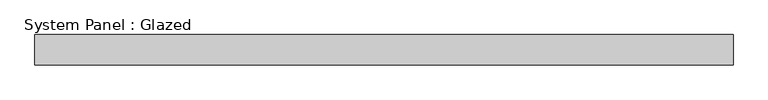
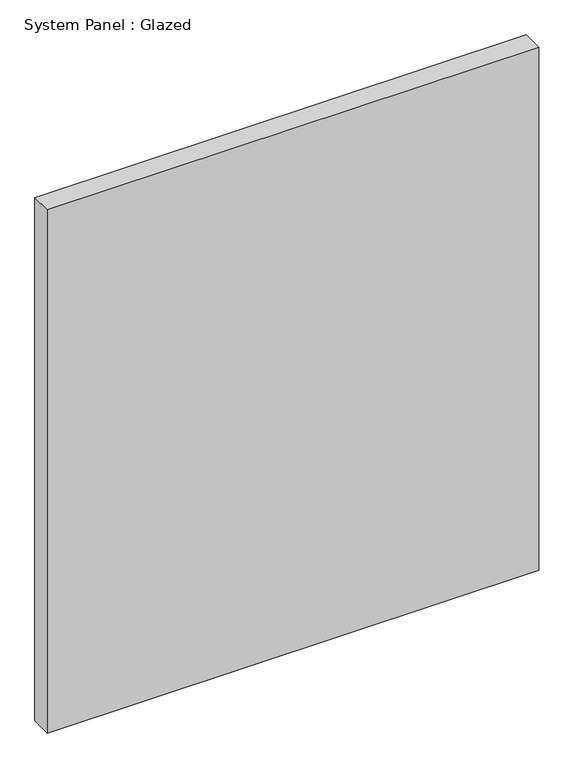
"""IFC4 building model written with IfcOpenShell, lengths in millimetres: plate geometry, System Panel : Glazed."""

from ifc_helpers import new_model, si_unit, origin, origin_with_axes, place, context, project, spatial, polyline, outline, extrude, source, transform, mapped, element, save


def system_panel_glazed_6e001ab2(model_context):
    return source(origin(), model_context, "Body", "SweptSolid", [
        extrude(outline(polyline([(1155.0, -150.0), (-1155.0, -150.0), (-1155.0, -50.0), (1155.0, -50.0), (1155.0, -150.0)])), origin_with_axes(), (0.0, 0.0, 1.0), 2600.0),
    ])


if __name__ == "__main__":
    model = new_model("IFC4")
    model_context = context("Model", 3, world=origin())
    ifc_project = project(units=[si_unit("LENGTHUNIT", "METRE", prefix="MILLI")], contexts=[model_context])
    site = spatial("IfcSite", under=ifc_project)
    building = spatial("IfcBuilding", under=site)
    placement = place(None, origin())
    system_panel_glazed_shape = system_panel_glazed_6e001ab2(model_context)
    element("IfcPlate", 1, ObjectType="System Panel : Glazed", at=placement, inside=building, context=model_context, shape_type="MappedRepresentation", body=[
        mapped(system_panel_glazed_shape, transform((0.0, 0.0, 0.0), x_axis=(1.0, 0.0, 0.0), y_axis=(0.0, 1.0, 0.0), z_axis=(0.0, 0.0, 1.0))),
    ])
    save(model, "model.ifc")
